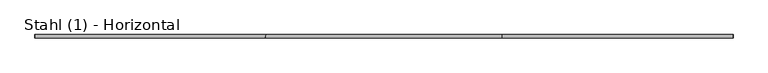
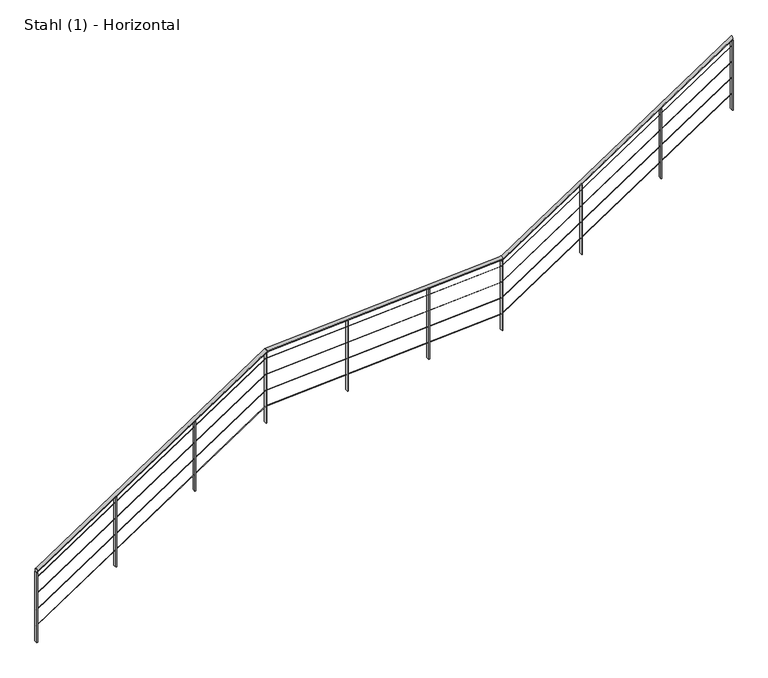
"""IFC4 building model written with IfcOpenShell, lengths in millimetres: railing geometry, Stahl (1) - Horizontal."""

from ifc_helpers import new_model, si_unit, frame, origin, place, context, project, spatial, polyline, ellipse_curve, outline, extrude, source, transform, mapped, element, save
from ifc_brep_helpers import plane_surface, cylinder_surface, advanced_brep


def stahl_1_horizontal_8f1cc02b(model_context):
    return source(origin(), model_context, "Body", "SolidModel", [
        advanced_brep(
        [(-13532.4930758, 6525.5303268, 984.2174404), (-13532.4930758, 6565.5303268, 984.2174404), (-10805.887007, 6525.5303268, 2790.8613918), (-10805.887007, 6565.5303268, 2790.8613918), (-8005.887007, 6525.5303268, 2971.8137727), (-8005.887007, 6565.5303268, 2971.8137727), (-5281.5406948, 6525.5303268, 4776.9604138), (-5281.5406948, 6565.5303268, 4776.9604138)],
        [
            (0, 1, ellipse_curve(frame((-13532.4930758, 6545.5303268, 984.2174404), z_axis=(-1.0, 0.0, 0.0), x_axis=(0.0, 0.0, -1.0)), 23.9919671, 20.0)),
            (1, 0, ellipse_curve(frame((-13532.4930758, 6545.5303268, 984.2174404), z_axis=(-1.0, 0.0, 0.0), x_axis=(0.0, 0.0, -1.0)), 23.9919671, 20.0)),
            (0, 2),
            (2, 3, ellipse_curve(frame((-10805.887007, 6545.5303268, 2790.8613918), z_axis=(-0.9476959462777484, 0.0, -0.31917455006426065), x_axis=(0.31917455006426176, 0.0, -0.947695946277748)), 20.6973542, 20.0)),
            (3, 1),
            (3, 2, ellipse_curve(frame((-10805.887007, 6545.5303268, 2790.8613918), z_axis=(-0.9476959462777484, 0.0, -0.31917455006426065), x_axis=(0.31917455006426176, 0.0, -0.947695946277748)), 20.6973542, 20.0)),
            (2, 4),
            (4, 5, ellipse_curve(frame((-8005.887007, 6545.5303268, 2971.8137727), z_axis=(-0.9476959462777479, 0.0, -0.31917455006426193), x_axis=(-0.3191745500642617, 0.0, 0.9476959462777481)), 20.6973542, 20.0)),
            (5, 3),
            (5, 4, ellipse_curve(frame((-8005.887007, 6545.5303268, 2971.8137727), z_axis=(-0.9476959462777479, 0.0, -0.31917455006426193), x_axis=(-0.3191745500642617, 0.0, 0.9476959462777481)), 20.6973542, 20.0)),
            (6, 7, ellipse_curve(frame((-5281.5406948, 6545.5303268, 4776.9604138), z_axis=(1.0, 0.0, 0.0), x_axis=(0.0, 0.0, -1.0)), 23.9919671, 20.0)),
            (7, 6, ellipse_curve(frame((-5281.5406948, 6545.5303268, 4776.9604138), z_axis=(1.0, 0.0, 0.0), x_axis=(0.0, 0.0, -1.0)), 23.9919671, 20.0)),
            (4, 6),
            (7, 5),
        ],
        [
            plane_surface(frame((-13532.4930758, 6545.5303268, 1008.2094076), z_axis=(-1.0, 0.0, 0.0), x_axis=(0.0, 1.0, 0.0))),
            cylinder_surface(frame((-13521.4460769, 6545.5303268, 991.5371607), z_axis=(-0.8336123454431535, 0.0, -0.5523499411829105), x_axis=(0.0, 1.0, 0.0)), 20.0),
            cylinder_surface(frame((-10811.2032494, 6545.5303268, 2790.5178251), z_axis=(-0.9979182682345058, 0.0, -0.06449131665461046), x_axis=(0.0, 1.0, 0.0)), 20.0),
            plane_surface(frame((-5281.5406948, 6545.5303268, 4800.952381), z_axis=(1.0, 0.0, 0.0), x_axis=(0.0, 1.0, 0.0))),
            cylinder_surface(frame((-8001.4460769, 6545.5303268, 2974.7563245), z_axis=(-0.8336123454431519, 0.0, -0.5523499411829127), x_axis=(0.0, 1.0, 0.0)), 20.0),
        ],
        [
            (0, [[1, 2]]),
            (1, [[-1, 3, 4, 5]]),
            (1, [[-2, -5, 6, -3]]),
            (2, [[-4, 7, 8, 9]]),
            (2, [[-6, -9, 10, -7]]),
            (3, [[11, 12]]),
            (4, [[-8, 13, -12, 14]]),
            (4, [[-10, -14, -11, -13]]),
        ],
    ),
        advanced_brep(
        [(-13532.4930758, 6544.0303268, 886.41001), (-13532.4930758, 6547.0303268, 886.41001), (-10811.9976206, 6544.0303268, 2689.0050806), (-10811.9976206, 6547.0303268, 2689.0050806), (-8011.9976206, 6544.0303268, 2869.9574615), (-8011.9976206, 6547.0303268, 2869.9574615), (-5281.5406948, 6544.0303268, 4679.1529834), (-5281.5406948, 6547.0303268, 4679.1529834)],
        [
            (0, 1, ellipse_curve(frame((-13532.4930758, 6545.5303268, 886.41001), z_axis=(-1.0, 0.0, 0.0), x_axis=(0.0, 0.0, -1.0)), 1.7993975, 1.5)),
            (1, 0, ellipse_curve(frame((-13532.4930758, 6545.5303268, 886.41001), z_axis=(-1.0, 0.0, 0.0), x_axis=(0.0, 0.0, -1.0)), 1.7993975, 1.5)),
            (0, 2),
            (2, 3, ellipse_curve(frame((-10811.9976206, 6545.5303268, 2689.0050806), z_axis=(-0.9476959462777484, 0.0, -0.31917455006426065), x_axis=(0.3191745500642619, 0.0, -0.9476959462777479)), 1.5523016, 1.5)),
            (3, 1),
            (3, 2, ellipse_curve(frame((-10811.9976206, 6545.5303268, 2689.0050806), z_axis=(-0.9476959462777484, 0.0, -0.31917455006426065), x_axis=(0.3191745500642619, 0.0, -0.9476959462777479)), 1.5523016, 1.5)),
            (2, 4),
            (4, 5, ellipse_curve(frame((-8011.9976206, 6545.5303268, 2869.9574615), z_axis=(-0.9476959462777478, 0.0, -0.31917455006426204), x_axis=(-0.3191745500642626, 0.0, 0.9476959462777477)), 1.5523016, 1.5)),
            (5, 3),
            (5, 4, ellipse_curve(frame((-8011.9976206, 6545.5303268, 2869.9574615), z_axis=(-0.9476959462777478, 0.0, -0.31917455006426204), x_axis=(-0.3191745500642626, 0.0, 0.9476959462777477)), 1.5523016, 1.5)),
            (6, 7, ellipse_curve(frame((-5281.5406948, 6545.5303268, 4679.1529834), z_axis=(1.0, 0.0, 0.0), x_axis=(0.0, 0.0, -1.0)), 1.7993975, 1.5)),
            (7, 6, ellipse_curve(frame((-5281.5406948, 6545.5303268, 4679.1529834), z_axis=(1.0, 0.0, 0.0), x_axis=(0.0, 0.0, -1.0)), 1.7993975, 1.5)),
            (4, 6),
            (7, 5),
        ],
        [
            plane_surface(frame((-13532.4930758, 6545.5303268, 888.2094076), z_axis=(-1.0, 0.0, 0.0), x_axis=(0.0, 1.0, 0.0))),
            cylinder_surface(frame((-13531.6645509, 6545.5303268, 886.958989), z_axis=(-0.8336123454431535, 0.0, -0.5523499411829104), x_axis=(0.0, 1.0, 0.0)), 1.5),
            cylinder_surface(frame((-10812.3963388, 6545.5303268, 2688.9793131), z_axis=(-0.9979182682345057, 0.0, -0.06449131665461057), x_axis=(0.0, 1.0, 0.0)), 1.5),
            plane_surface(frame((-5281.5406948, 6545.5303268, 4680.952381), z_axis=(1.0, 0.0, 0.0), x_axis=(0.0, 1.0, 0.0))),
            cylinder_surface(frame((-8011.6645509, 6545.5303268, 2870.1781529), z_axis=(-0.8336123454431518, 0.0, -0.5523499411829128), x_axis=(0.0, 1.0, 0.0)), 1.5),
        ],
        [
            (0, [[1, 2]]),
            (1, [[-1, 3, 4, 5]]),
            (1, [[-2, -5, 6, -3]]),
            (2, [[-4, 7, 8, 9]]),
            (2, [[-6, -9, 10, -7]]),
            (3, [[11, 12]]),
            (4, [[-8, 13, -12, 14]]),
            (4, [[-10, -14, -11, -13]]),
        ],
    ),
        advanced_brep(
        [(-13532.4930758, 6544.0303268, 686.41001), (-13532.4930758, 6547.0303268, 686.41001), (-10811.9976206, 6544.0303268, 2489.0050806), (-10811.9976206, 6547.0303268, 2489.0050806), (-8011.9976206, 6544.0303268, 2669.9574615), (-8011.9976206, 6547.0303268, 2669.9574615), (-5281.5406948, 6544.0303268, 4479.1529834), (-5281.5406948, 6547.0303268, 4479.1529834)],
        [
            (0, 1, ellipse_curve(frame((-13532.4930758, 6545.5303268, 686.41001), z_axis=(-1.0, 0.0, 0.0), x_axis=(0.0, 0.0, -1.0)), 1.7993975, 1.5)),
            (1, 0, ellipse_curve(frame((-13532.4930758, 6545.5303268, 686.41001), z_axis=(-1.0, 0.0, 0.0), x_axis=(0.0, 0.0, -1.0)), 1.7993975, 1.5)),
            (0, 2),
            (2, 3, ellipse_curve(frame((-10811.9976206, 6545.5303268, 2489.0050806), z_axis=(-0.9476959462777484, 0.0, -0.31917455006426065), x_axis=(0.3191745500642619, 0.0, -0.9476959462777479)), 1.5523016, 1.5)),
            (3, 1),
            (3, 2, ellipse_curve(frame((-10811.9976206, 6545.5303268, 2489.0050806), z_axis=(-0.9476959462777484, 0.0, -0.31917455006426065), x_axis=(0.3191745500642619, 0.0, -0.9476959462777479)), 1.5523016, 1.5)),
            (2, 4),
            (4, 5, ellipse_curve(frame((-8011.9976206, 6545.5303268, 2669.9574615), z_axis=(-0.9476959462777478, 0.0, -0.31917455006426204), x_axis=(-0.3191745500642626, 0.0, 0.9476959462777477)), 1.5523016, 1.5)),
            (5, 3),
            (5, 4, ellipse_curve(frame((-8011.9976206, 6545.5303268, 2669.9574615), z_axis=(-0.9476959462777478, 0.0, -0.31917455006426204), x_axis=(-0.3191745500642626, 0.0, 0.9476959462777477)), 1.5523016, 1.5)),
            (6, 7, ellipse_curve(frame((-5281.5406948, 6545.5303268, 4479.1529834), z_axis=(1.0, 0.0, 0.0), x_axis=(0.0, 0.0, -1.0)), 1.7993975, 1.5)),
            (7, 6, ellipse_curve(frame((-5281.5406948, 6545.5303268, 4479.1529834), z_axis=(1.0, 0.0, 0.0), x_axis=(0.0, 0.0, -1.0)), 1.7993975, 1.5)),
            (4, 6),
            (7, 5),
        ],
        [
            plane_surface(frame((-13532.4930758, 6545.5303268, 688.2094076), z_axis=(-1.0, 0.0, 0.0), x_axis=(0.0, 1.0, 0.0))),
            cylinder_surface(frame((-13531.6645509, 6545.5303268, 686.958989), z_axis=(-0.8336123454431535, 0.0, -0.5523499411829104), x_axis=(0.0, 1.0, 0.0)), 1.5),
            cylinder_surface(frame((-10812.3963388, 6545.5303268, 2488.9793131), z_axis=(-0.9979182682345057, 0.0, -0.06449131665461057), x_axis=(0.0, 1.0, 0.0)), 1.5),
            plane_surface(frame((-5281.5406948, 6545.5303268, 4480.952381), z_axis=(1.0, 0.0, 0.0), x_axis=(0.0, 1.0, 0.0))),
            cylinder_surface(frame((-8011.6645509, 6545.5303268, 2670.1781529), z_axis=(-0.8336123454431518, 0.0, -0.5523499411829128), x_axis=(0.0, 1.0, 0.0)), 1.5),
        ],
        [
            (0, [[1, 2]]),
            (1, [[-1, 3, 4, 5]]),
            (1, [[-2, -5, 6, -3]]),
            (2, [[-4, 7, 8, 9]]),
            (2, [[-6, -9, 10, -7]]),
            (3, [[11, 12]]),
            (4, [[-8, 13, -12, 14]]),
            (4, [[-10, -14, -11, -13]]),
        ],
    ),
        advanced_brep(
        [(-13532.4930758, 6544.0303268, 486.41001), (-13532.4930758, 6547.0303268, 486.41001), (-10811.9976206, 6544.0303268, 2289.0050806), (-10811.9976206, 6547.0303268, 2289.0050806), (-8011.9976206, 6544.0303268, 2469.9574615), (-8011.9976206, 6547.0303268, 2469.9574615), (-5281.5406948, 6544.0303268, 4279.1529834), (-5281.5406948, 6547.0303268, 4279.1529834)],
        [
            (0, 1, ellipse_curve(frame((-13532.4930758, 6545.5303268, 486.41001), z_axis=(-1.0, 0.0, 0.0), x_axis=(0.0, 0.0, -1.0)), 1.7993975, 1.5)),
            (1, 0, ellipse_curve(frame((-13532.4930758, 6545.5303268, 486.41001), z_axis=(-1.0, 0.0, 0.0), x_axis=(0.0, 0.0, -1.0)), 1.7993975, 1.5)),
            (0, 2),
            (2, 3, ellipse_curve(frame((-10811.9976206, 6545.5303268, 2289.0050806), z_axis=(-0.9476959462777484, 0.0, -0.31917455006426065), x_axis=(0.31917455006426176, 0.0, -0.947695946277748)), 1.5523016, 1.5)),
            (3, 1),
            (3, 2, ellipse_curve(frame((-10811.9976206, 6545.5303268, 2289.0050806), z_axis=(-0.9476959462777484, 0.0, -0.31917455006426065), x_axis=(0.31917455006426176, 0.0, -0.947695946277748)), 1.5523016, 1.5)),
            (2, 4),
            (4, 5, ellipse_curve(frame((-8011.9976206, 6545.5303268, 2469.9574615), z_axis=(-0.9476959462777479, 0.0, -0.31917455006426193), x_axis=(-0.3191745500642617, 0.0, 0.9476959462777481)), 1.5523016, 1.5)),
            (5, 3),
            (5, 4, ellipse_curve(frame((-8011.9976206, 6545.5303268, 2469.9574615), z_axis=(-0.9476959462777479, 0.0, -0.31917455006426193), x_axis=(-0.3191745500642617, 0.0, 0.9476959462777481)), 1.5523016, 1.5)),
            (6, 7, ellipse_curve(frame((-5281.5406948, 6545.5303268, 4279.1529834), z_axis=(1.0, 0.0, 0.0), x_axis=(0.0, 0.0, -1.0)), 1.7993975, 1.5)),
            (7, 6, ellipse_curve(frame((-5281.5406948, 6545.5303268, 4279.1529834), z_axis=(1.0, 0.0, 0.0), x_axis=(0.0, 0.0, -1.0)), 1.7993975, 1.5)),
            (4, 6),
            (7, 5),
        ],
        [
            plane_surface(frame((-13532.4930758, 6545.5303268, 488.2094076), z_axis=(-1.0, 0.0, 0.0), x_axis=(0.0, 1.0, 0.0))),
            cylinder_surface(frame((-13531.6645509, 6545.5303268, 486.958989), z_axis=(-0.8336123454431535, 0.0, -0.5523499411829105), x_axis=(0.0, 1.0, 0.0)), 1.5),
            cylinder_surface(frame((-10812.3963388, 6545.5303268, 2288.9793131), z_axis=(-0.9979182682345058, 0.0, -0.06449131665461046), x_axis=(0.0, 1.0, 0.0)), 1.5),
            plane_surface(frame((-5281.5406948, 6545.5303268, 4280.952381), z_axis=(1.0, 0.0, 0.0), x_axis=(0.0, 1.0, 0.0))),
            cylinder_surface(frame((-8011.6645509, 6545.5303268, 2470.1781529), z_axis=(-0.8336123454431519, 0.0, -0.5523499411829127), x_axis=(0.0, 1.0, 0.0)), 1.5),
        ],
        [
            (0, [[1, 2]]),
            (1, [[-1, 3, 4, 5]]),
            (1, [[-2, -5, 6, -3]]),
            (2, [[-4, 7, 8, 9]]),
            (2, [[-6, -9, 10, -7]]),
            (3, [[11, 12]]),
            (4, [[-8, 13, -12, 14]]),
            (4, [[-10, -14, -11, -13]]),
        ],
    ),
        advanced_brep(
        [(-13532.4930758, 6544.0303268, 286.41001), (-13532.4930758, 6547.0303268, 286.41001), (-10811.9976206, 6544.0303268, 2089.0050806), (-10811.9976206, 6547.0303268, 2089.0050806), (-8011.9976206, 6544.0303268, 2269.9574615), (-8011.9976206, 6547.0303268, 2269.9574615), (-5281.5406948, 6544.0303268, 4079.1529834), (-5281.5406948, 6547.0303268, 4079.1529834)],
        [
            (0, 1, ellipse_curve(frame((-13532.4930758, 6545.5303268, 286.41001), z_axis=(-1.0, 0.0, 0.0), x_axis=(0.0, 0.0, -1.0)), 1.7993975, 1.5)),
            (1, 0, ellipse_curve(frame((-13532.4930758, 6545.5303268, 286.41001), z_axis=(-1.0, 0.0, 0.0), x_axis=(0.0, 0.0, -1.0)), 1.7993975, 1.5)),
            (0, 2),
            (2, 3, ellipse_curve(frame((-10811.9976206, 6545.5303268, 2089.0050806), z_axis=(-0.9476959462777484, 0.0, -0.31917455006426065), x_axis=(0.31917455006426176, 0.0, -0.947695946277748)), 1.5523016, 1.5)),
            (3, 1),
            (3, 2, ellipse_curve(frame((-10811.9976206, 6545.5303268, 2089.0050806), z_axis=(-0.9476959462777484, 0.0, -0.31917455006426065), x_axis=(0.31917455006426176, 0.0, -0.947695946277748)), 1.5523016, 1.5)),
            (2, 4),
            (4, 5, ellipse_curve(frame((-8011.9976206, 6545.5303268, 2269.9574615), z_axis=(-0.9476959462777479, 0.0, -0.3191745500642618), x_axis=(-0.31917455006426176, 0.0, 0.9476959462777478)), 1.5523016, 1.5)),
            (5, 3),
            (5, 4, ellipse_curve(frame((-8011.9976206, 6545.5303268, 2269.9574615), z_axis=(-0.9476959462777479, 0.0, -0.3191745500642618), x_axis=(-0.31917455006426176, 0.0, 0.9476959462777478)), 1.5523016, 1.5)),
            (6, 7, ellipse_curve(frame((-5281.5406948, 6545.5303268, 4079.1529834), z_axis=(1.0, 0.0, 0.0), x_axis=(0.0, 0.0, -1.0)), 1.7993975, 1.5)),
            (7, 6, ellipse_curve(frame((-5281.5406948, 6545.5303268, 4079.1529834), z_axis=(1.0, 0.0, 0.0), x_axis=(0.0, 0.0, -1.0)), 1.7993975, 1.5)),
            (4, 6),
            (7, 5),
        ],
        [
            plane_surface(frame((-13532.4930758, 6545.5303268, 288.2094076), z_axis=(-1.0, 0.0, 0.0), x_axis=(0.0, 1.0, 0.0))),
            cylinder_surface(frame((-13531.6645509, 6545.5303268, 286.958989), z_axis=(-0.8336123454431535, 0.0, -0.5523499411829105), x_axis=(0.0, 1.0, 0.0)), 1.5),
            cylinder_surface(frame((-10812.3963388, 6545.5303268, 2088.9793131), z_axis=(-0.9979182682345058, 0.0, -0.06449131665461046), x_axis=(0.0, 1.0, 0.0)), 1.5),
            plane_surface(frame((-5281.5406948, 6545.5303268, 4080.952381), z_axis=(1.0, 0.0, 0.0), x_axis=(0.0, 1.0, 0.0))),
            cylinder_surface(frame((-8011.6645509, 6545.5303268, 2270.1781529), z_axis=(-0.833612345443152, 0.0, -0.5523499411829127), x_axis=(0.0, 1.0, 0.0)), 1.5),
        ],
        [
            (0, [[1, 2]]),
            (1, [[-1, 3, 4, 5]]),
            (1, [[-2, -5, 6, -3]]),
            (2, [[-4, 7, 8, 9]]),
            (2, [[-6, -9, 10, -7]]),
            (3, [[11, 12]]),
            (4, [[-8, 13, -12, 14]]),
            (4, [[-10, -14, -11, -13]]),
        ],
    ),
        extrude(outline(polyline([(3319.3760263, -6133.0776406), (3319.3760263, -6125.0776406), (4194.0424843, -6125.0776406), (4188.7416997, -6133.0776406), (3319.3760263, -6133.0776406)])), frame((0.0, 6525.5303268, 0.0), z_axis=(0.0, 1.0, 0.0), x_axis=(0.0, 0.0, 1.0)), (0.0, 0.0, 1.0), 40.0),
        extrude(outline(polyline([(2695.4022989, -7074.7853582), (2695.4022989, -7066.7853582), (3570.0687569, -7066.7853582), (3564.7679722, -7074.7853582), (2695.4022989, -7074.7853582)])), frame((0.0, 6525.5303268, 0.0), z_axis=(0.0, 1.0, 0.0), x_axis=(0.0, 0.0, 1.0)), (0.0, 0.0, 1.0), 40.0),
        extrude(outline(polyline([(2015.270936, -8885.458593), (2015.270936, -8877.458593), (2895.4459964, -8877.458593), (2894.9289896, -8885.458593), (2015.270936, -8885.458593)])), frame((0.0, 6525.5303268, 0.0), z_axis=(0.0, 1.0, 0.0), x_axis=(0.0, 0.0, 1.0)), (0.0, 0.0, 1.0), 40.0),
        extrude(outline(polyline([(1952.8735632, -9850.9758344), (1952.8735632, -9842.9758344), (2833.0486236, -9842.9758344), (2832.5316168, -9850.9758344), (1952.8735632, -9850.9758344)])), frame((0.0, 6525.5303268, 0.0), z_axis=(0.0, 1.0, 0.0), x_axis=(0.0, 0.0, 1.0)), (0.0, 0.0, 1.0), 40.0),
        extrude(outline(polyline([(1331.1520165, -11660.6310068), (1331.1520165, -11652.6310068), (2205.8184745, -11652.6310068), (2200.5176899, -11660.6310068), (1331.1520165, -11660.6310068)])), frame((0.0, 6525.5303268, 0.0), z_axis=(0.0, 1.0, 0.0), x_axis=(0.0, 0.0, 1.0)), (0.0, 0.0, 1.0), 40.0),
        extrude(outline(polyline([(709.680712, -12598.5620413), (709.680712, -12590.5620413), (1584.3471701, -12590.5620413), (1579.0463854, -12598.5620413), (709.680712, -12598.5620413)])), frame((0.0, 6525.5303268, 0.0), z_axis=(0.0, 1.0, 0.0), x_axis=(0.0, 0.0, 1.0)), (0.0, 0.0, 1.0), 40.0),
        extrude(outline(polyline([(2071.4285714, -8016.4930758), (2071.4285714, -8008.4930758), (2946.0950295, -8008.4930758), (2940.7942448, -8016.4930758), (2071.4285714, -8016.4930758)])), frame((0.0, 6525.5303268, 0.0), z_axis=(0.0, 1.0, 0.0), x_axis=(0.0, 0.0, 1.0)), (0.0, 0.0, 1.0), 40.0),
        extrude(outline(polyline([(1890.4761905, -10816.4930758), (1890.4761905, -10808.4930758), (2770.6512509, -10808.4930758), (2770.1342441, -10816.4930758), (1890.4761905, -10816.4930758)])), frame((0.0, 6525.5303268, 0.0), z_axis=(0.0, 1.0, 0.0), x_axis=(0.0, 0.0, 1.0)), (0.0, 0.0, 1.0), 40.0),
        extrude(outline(polyline([(3880.952381, -5285.5406948), (3880.952381, -5277.5406948), (4755.618839, -5277.5406948), (4750.3180543, -5285.5406948), (3880.952381, -5285.5406948)])), frame((0.0, 6525.5303268, 0.0), z_axis=(0.0, 1.0, 0.0), x_axis=(0.0, 0.0, 1.0)), (0.0, 0.0, 1.0), 40.0),
        extrude(outline(polyline([(88.2094076, -13536.4930758), (88.2094076, -13528.4930758), (962.8758656, -13528.4930758), (957.575081, -13536.4930758), (88.2094076, -13536.4930758)])), frame((0.0, 6525.5303268, 0.0), z_axis=(0.0, 1.0, 0.0), x_axis=(0.0, 0.0, 1.0)), (0.0, 0.0, 1.0), 40.0),
    ])


if __name__ == "__main__":
    model = new_model("IFC4")
    model_context = context("Model", 3, world=origin())
    ifc_project = project(units=[si_unit("LENGTHUNIT", "METRE", prefix="MILLI")], contexts=[model_context])
    site = spatial("IfcSite", under=ifc_project)
    building = spatial("IfcBuilding", under=site)
    placement = place(None, origin())
    stahl_1_horizontal_shape = stahl_1_horizontal_8f1cc02b(model_context)
    element("IfcRailing", 1, ObjectType="Stahl (1) - Horizontal", at=placement, inside=building, context=model_context, shape_type="MappedRepresentation", body=[
        mapped(stahl_1_horizontal_shape, transform((0.0, 0.0, 0.0), x_axis=(1.0, 0.0, 0.0), y_axis=(0.0, 1.0, 0.0), z_axis=(0.0, 0.0, 1.0))),
    ])
    save(model, "model.ifc")
